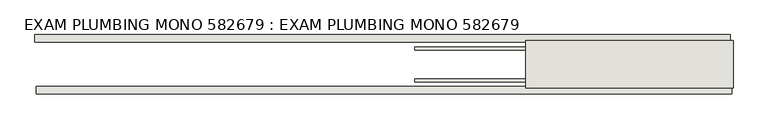
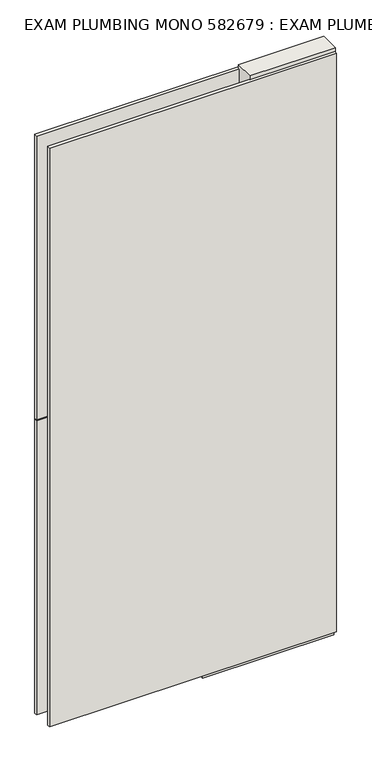
"""IFC4 building model written with IfcOpenShell, lengths in millimetres: wall geometry, EXAM PLUMBING MONO 582679 : EXAM PLUMBING MONO 582679."""

import ifcopenshell
import ifcopenshell.guid

model = None  # the IFC model being written
_history = None  # IfcOwnerHistory: only IFC2X3 demands one
_inside = {}  # id of a spatial element -> (the spatial element, [elements in it])
_under = {}  # id of a project, library or spatial element -> (it, [spatial elements below it])
_declared = {}  # id of a project -> (the project, [libraries it declares])
_typed = {}  # id of a type object -> (the type object, [elements of that type])
_made_of = {}  # id of a material, layer set ... -> (it, [elements and type objects made of it])


def new_model(schema):
    """Start an empty IFC model of exactly this schema.

    Asked for "IFC4X3", IfcOpenShell would pick the latest addendum, in which some entities
    have other attributes; the version numbers below select the first issue.
    IFC2X3 requires an IfcOwnerHistory on every rooted entity: one is made here for all.
    """
    global model, _history
    if schema == "IFC4X3":
        model = ifcopenshell.file(schema_version=(4, 3, 0, 0))
    else:
        model = ifcopenshell.file(schema=schema)
    _inside.clear()
    _under.clear()
    _declared.clear()
    _typed.clear()
    _made_of.clear()
    _history = None
    if model.schema == "IFC2X3":
        org = make("IfcOrganization", Name="unknown")
        user = make(
            "IfcPersonAndOrganization",
            ThePerson=make("IfcPerson", FamilyName="unknown"),
            TheOrganization=org,
        )
        app = make(
            "IfcApplication",
            ApplicationDeveloper=org,
            Version="unknown",
            ApplicationFullName="unknown",
            ApplicationIdentifier="unknown",
        )
        _history = make(
            "IfcOwnerHistory",
            OwningUser=user,
            OwningApplication=app,
            ChangeAction="ADDED",
            CreationDate=0,
        )
    return model


def make(cls, **values):
    """One entity of the class cls with the attributes given. An attribute that is None is left unset."""
    return model.create_entity(
        cls, **{name: value for name, value in values.items() if value is not None}
    )


def rooted(cls, **values):
    """An entity with a GlobalId (a new one), such as an element, a storey or a relation."""
    return make(cls, GlobalId=ifcopenshell.guid.new(), OwnerHistory=_history, **values)


def si_unit(unit_type, name, prefix=None):
    """IfcSIUnit, for example si_unit("LENGTHUNIT", "METRE", prefix="MILLI")."""
    return make("IfcSIUnit", UnitType=unit_type, Prefix=prefix, Name=name)


def assignment(units):
    """IfcUnitAssignment: the units of a project."""
    return None if units is None else make("IfcUnitAssignment", Units=units)


def point(xyz):
    """IfcCartesianPoint."""
    return None if xyz is None else make("IfcCartesianPoint", Coordinates=xyz)


def direction(xyz):
    """IfcDirection."""
    return None if xyz is None else make("IfcDirection", DirectionRatios=xyz)


def frame(location, z_axis=None, x_axis=None):
    """IfcAxis2Placement3D, a coordinate frame: its origin and axes. An axis left out is left unset."""
    return make(
        "IfcAxis2Placement3D",
        Location=point(location),
        Axis=direction(z_axis),
        RefDirection=direction(x_axis),
    )


def origin():
    """The frame at (0, 0, 0) with its axes left unset."""
    return frame((0.0, 0.0, 0.0))


def place(relative_to, where):
    """IfcLocalPlacement: puts the frame where relative to a parent placement (None: the world)."""
    return make(
        "IfcLocalPlacement", PlacementRelTo=relative_to, RelativePlacement=where
    )


def context(
    kind, dimensions, precision=None, world=None, true_north=None, identifier=None
):
    """IfcGeometricRepresentationContext, for example the 3D "Model" context."""
    return make(
        "IfcGeometricRepresentationContext",
        ContextIdentifier=identifier,
        ContextType=kind,
        CoordinateSpaceDimension=dimensions,
        Precision=precision,
        WorldCoordinateSystem=world,
        TrueNorth=true_north,
    )


def project(units=None, contexts=None):
    """IfcProject with its units and contexts."""
    return rooted(
        "IfcProject",
        Name="project",
        RepresentationContexts=contexts,
        UnitsInContext=assignment(units),
    )


def spatial(cls, under=None, at=None, **own):
    """A site, building, storey or space (cls), placed at a placement, below another one or the project."""
    s = rooted(cls, ObjectPlacement=at, **own)
    if under is not None:
        _under.setdefault(under.id(), (under, []))[1].append(s)
    return s


def polyline(points):
    """IfcPolyline through the points."""
    return make("IfcPolyline", Points=[point(p) for p in points])


def outline(outer, holes=None, kind="AREA"):
    """IfcArbitraryClosedProfileDef: a profile drawn as a closed curve; with holes, ...WithVoids."""
    if holes is None:
        return make("IfcArbitraryClosedProfileDef", ProfileType=kind, OuterCurve=outer)
    return make(
        "IfcArbitraryProfileDefWithVoids",
        ProfileType=kind,
        OuterCurve=outer,
        InnerCurves=holes,
    )


def extrude(swept, where, along, depth):
    """IfcExtrudedAreaSolid: the profile swept, set in the frame where, extruded along a direction by depth."""
    return make(
        "IfcExtrudedAreaSolid",
        SweptArea=swept,
        Position=where,
        ExtrudedDirection=direction(along),
        Depth=depth,
    )


def shape(context_of_items, identifier, shape_type, items):
    """IfcShapeRepresentation: the items that make up one representation, for example the "Body"."""
    return make(
        "IfcShapeRepresentation",
        ContextOfItems=context_of_items,
        RepresentationIdentifier=identifier,
        RepresentationType=shape_type,
        Items=items,
    )


def source(mapping_origin, context_of_items, identifier, shape_type, items):
    """IfcRepresentationMap: a shape defined once, which mapped items show again and again."""
    return make(
        "IfcRepresentationMap",
        MappingOrigin=mapping_origin,
        MappedRepresentation=shape(context_of_items, identifier, shape_type, items),
    )


def transform(
    local_origin,
    x_axis=None,
    y_axis=None,
    z_axis=None,
    scale=None,
    scale2=None,
    scale3=None,
    uniform=True,
):
    """IfcCartesianTransformationOperator3D, or its non-uniform kind. x_axis, y_axis, z_axis: its Axis1, 2, 3."""
    if uniform:
        return make(
            "IfcCartesianTransformationOperator3D",
            Axis1=direction(x_axis),
            Axis2=direction(y_axis),
            LocalOrigin=point(local_origin),
            Scale=scale,
            Axis3=direction(z_axis),
        )
    return make(
        "IfcCartesianTransformationOperator3DnonUniform",
        Axis1=direction(x_axis),
        Axis2=direction(y_axis),
        LocalOrigin=point(local_origin),
        Scale=scale,
        Axis3=direction(z_axis),
        Scale2=scale2,
        Scale3=scale3,
    )


def mapped(mapping_source, mapping_target):
    """IfcMappedItem: shows the shape of a source again, moved by a transform."""
    return make(
        "IfcMappedItem", MappingSource=mapping_source, MappingTarget=mapping_target
    )


def made_of(thing, what):
    """Note that an element or type object is made of a material, layer set ...; save() writes the relation."""
    if what is not None:
        _made_of.setdefault(what.id(), (what, []))[1].append(thing)
    return thing


def element(
    cls,
    number,
    at=None,
    inside=None,
    cuts=None,
    type_object=None,
    material=None,
    context=None,
    identifier="Body",
    shape_type=None,
    held_by="IfcProductDefinitionShape",
    body=None,
    shapes=None,
    **own,
):
    """One element of the class cls, such as IfcWall. Its Tag is "e" and its number.

    at: its placement. inside: the storey or other place that contains it. cuts: it is an
    opening in that element (IfcRelVoidsElement). A single representation is given by context,
    identifier, shape_type and body (its items); several are given by shapes. held_by: the class
    of the entity that holds the representations. save() writes the other relations.
    """
    e = rooted(cls, Tag="e%d" % number, ObjectPlacement=at, **own)
    if body is not None:
        shapes = [shape(context, identifier, shape_type, body)]
    if shapes is not None:
        e.Representation = make(held_by, Representations=shapes)
    if inside is not None:
        _inside.setdefault(inside.id(), (inside, []))[1].append(e)
    if cuts is not None:
        rooted(
            "IfcRelVoidsElement", RelatingBuildingElement=cuts, RelatedOpeningElement=e
        )
    if type_object is not None:
        _typed.setdefault(type_object.id(), (type_object, []))[1].append(e)
    return made_of(e, material)


def aggregate(whole, parts):
    """IfcRelAggregates: a whole, such as a stair, and the parts it consists of."""
    return rooted("IfcRelAggregates", RelatingObject=whole, RelatedObjects=parts)


def save(model, path):
    """Write the relations noted so far, then the file.

    IfcRelAggregates (storeys below a building ...), IfcRelContainedInSpatialStructure (elements
    in a storey), IfcRelDefinesByType, IfcRelAssociatesMaterial and IfcRelDeclares: one each for
    every whole, place, type object, material and project.
    """
    for whole, parts in _under.values():
        aggregate(whole, parts)
    for where, things in _inside.values():
        rooted(
            "IfcRelContainedInSpatialStructure",
            RelatedElements=things,
            RelatingStructure=where,
        )
    for kind, things in _typed.values():
        rooted("IfcRelDefinesByType", RelatedObjects=things, RelatingType=kind)
    for what, things in _made_of.values():
        rooted("IfcRelAssociatesMaterial", RelatedObjects=things, RelatingMaterial=what)
    for by, libraries in _declared.values():
        rooted("IfcRelDeclares", RelatingContext=by, RelatedDefinitions=libraries)
    model.write(path)


def exam_plumbing_mono_582679_exam_plumbing_mono_582679_074cf7a5(model_context):
    return source(origin(), model_context, "Body", "SweptSolid", [
        extrude(outline(polyline([(53666.1208616, -43072.1845692), (53668.6608616, -43072.1845692), (53668.6608616, -43074.7245692), (53666.1208616, -43074.7245692), (53666.1208616, -43072.1845692)])), frame((0.0, 0.0, 4419.6), z_axis=(0.0, 0.0, 1.0), x_axis=(1.0, 0.0, 0.0)), (0.0, 0.0, 1.0), 2.54),
        extrude(outline(polyline([(53666.6611704, -43124.2545692), (52472.968714, -43124.2545692), (52472.968714, -43111.5545692), (53666.6611704, -43111.5545692), (53666.6611704, -43124.2545692)])), frame((0.0, 0.0, 4445.0), z_axis=(0.0, 0.0, 1.0), x_axis=(1.0, 0.0, 0.0)), (0.0, 0.0, 1.0), 2545.0498756),
        extrude(outline(polyline([(52470.5006468, -43022.6545692), (53664.1931032, -43022.6545692), (53664.1931032, -43035.3545692), (52470.5006468, -43035.3545692), (52470.5006468, -43022.6545692)])), frame((0.0, 0.0, 4445.0), z_axis=(0.0, 0.0, 1.0), x_axis=(1.0, 0.0, 0.0)), (0.0, 0.0, 1.0), 1293.400004),
        extrude(outline(polyline([(52470.5006468, -43022.6545692), (53664.1931032, -43022.6545692), (53664.1931032, -43035.3545692), (52470.5006468, -43035.3545692), (52470.5006468, -43022.6545692)])), frame((0.0, 0.0, 5742.399869), z_axis=(0.0, 0.0, 1.0), x_axis=(1.0, 0.0, 0.0)), (0.0, 0.0, 1.0), 1247.649905),
        extrude(outline(polyline([(53122.549711, -43098.5414126), (53668.649711, -43098.5414126), (53668.649711, -43103.6232668), (53122.549711, -43103.6232668), (53122.549711, -43098.5414126)])), frame((0.0, 0.0, 4418.6602), z_axis=(0.0, 0.0, 1.0), x_axis=(1.0, 0.0, 0.0)), (0.0, 0.0, 1.0), 47.625),
        extrude(outline(polyline([(53122.549711, -43098.5414126), (53668.649711, -43098.5414126), (53668.649711, -43103.6232668), (53122.549711, -43103.6232668), (53122.549711, -43098.5414126)])), frame((0.0, 0.0, 4418.6602), z_axis=(0.0, 0.0, 1.0), x_axis=(1.0, 0.0, 0.0)), (0.0, 0.0, 1.0), 47.625),
        extrude(outline(polyline([(53668.649711, -43048.3770222), (53122.549711, -43048.3770222), (53122.549711, -43043.2982668), (53668.649711, -43043.2982668), (53668.649711, -43048.3770222)])), frame((0.0, 0.0, 4418.6602), z_axis=(0.0, 0.0, 1.0), x_axis=(1.0, 0.0, 0.0)), (0.0, 0.0, 1.0), 47.625),
        extrude(outline(polyline([(53668.649711, -43048.3770222), (53122.549711, -43048.3770222), (53122.549711, -43043.2982668), (53668.649711, -43043.2982668), (53668.649711, -43048.3770222)])), frame((0.0, 0.0, 4418.6602), z_axis=(0.0, 0.0, 1.0), x_axis=(1.0, 0.0, 0.0)), (0.0, 0.0, 1.0), 47.625),
        extrude(outline(polyline([(53313.049711, -43114.0877366), (53313.049711, -43032.8058824), (53668.649711, -43032.8058824), (53668.649711, -43114.0877366), (53313.049711, -43114.0877366)])), frame((0.0, 0.0, 4445.0), z_axis=(0.0, 0.0, 1.0), x_axis=(1.0, 0.0, 0.0)), (0.0, 0.0, 1.0), 2562.4536762),
    ])


if __name__ == "__main__":
    model = new_model("IFC4")
    model_context = context("Model", 3, world=origin())
    ifc_project = project(units=[si_unit("LENGTHUNIT", "METRE", prefix="MILLI")], contexts=[model_context])
    site = spatial("IfcSite", under=ifc_project)
    building = spatial("IfcBuilding", under=site)
    placement = place(None, origin())
    exam_plumbing_mono_582679_exam_plumbing_mono_582679_shape = exam_plumbing_mono_582679_exam_plumbing_mono_582679_074cf7a5(model_context)
    element("IfcWall", 1, ObjectType="EXAM PLUMBING MONO 582679 : EXAM PLUMBING MONO 582679", at=placement, inside=building, context=model_context, shape_type="MappedRepresentation", body=[
        mapped(exam_plumbing_mono_582679_exam_plumbing_mono_582679_shape, transform((0.0, 0.0, 0.0), x_axis=(1.0, 0.0, 0.0), y_axis=(0.0, 1.0, 0.0), z_axis=(0.0, 0.0, 1.0))),
    ])
    save(model, "model.ifc")
